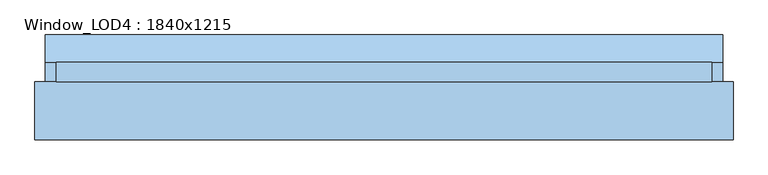
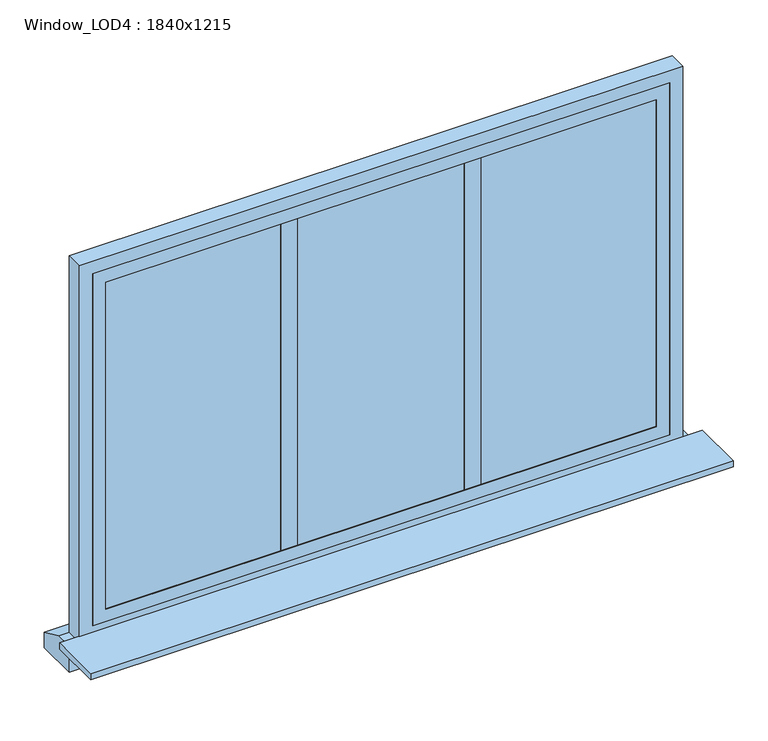
"""IFC4 building model written with IfcOpenShell, lengths in millimetres: window geometry, Window_LOD4 : 1840x1215."""

from ifc_helpers import new_model, si_unit, frame, origin, place, context, project, spatial, polyline, outline, extrude, source, transform, mapped, element, save


def window_lod4_1840x1215_540653f1(model_context):
    return source(origin(), model_context, "Body", "SweptSolid", [
        extrude(outline(polyline([(305.0000123, 100.0), (305.0000123, 50.0), (255.0000123, 50.0), (255.0000123, 100.0), (305.0000123, 100.0)])), frame((0.0, 0.0, 880.0), z_axis=(0.0, 0.0, 1.0), x_axis=(1.0, 0.0, 0.0)), (0.0, 0.0, 1.0), 1055.0000487),
        extrude(outline(polyline([(-255.0000123, 100.0), (-255.0000123, 50.0), (-305.0000123, 50.0), (-305.0000123, 100.0), (-255.0000123, 100.0)])), frame((0.0, 0.0, 880.0), z_axis=(0.0, 0.0, 1.0), x_axis=(1.0, 0.0, 0.0)), (0.0, 0.0, 1.0), 1055.0000487),
        extrude(outline(polyline([(840.0000368, 50.0), (-840.0000368, 50.0), (-840.0000368, 100.0), (840.0000368, 100.0), (840.0000368, 50.0)])), frame((0.0, 0.0, 880.0), z_axis=(0.0, 0.0, 1.0), x_axis=(1.0, 0.0, 0.0)), (0.0, 0.0, 1.0), 1055.0000487),
        extrude(outline(polyline([(1975.0000487, -880.0000368), (840.0, -880.0000368), (840.0, 880.0000368), (1975.0000487, 880.0000368), (1975.0000487, -880.0000368)]), holes=[polyline([(1935.0000487, -840.0000368), (1935.0000487, 840.0000368), (880.0, 840.0000368), (880.0, -840.0000368), (1935.0000487, -840.0000368)])]), frame((0.0, 47.5, 0.0), z_axis=(0.0, 1.0, 0.0), x_axis=(0.0, 0.0, 1.0)), (0.0, 0.0, 1.0), 55.0),
        extrude(outline(polyline([(102.5, 800.0), (179.1451291, 765.0), (179.1451291, 715.0), (47.5, 715.0), (47.5, 800.0), (102.5, 800.0)])), frame((-950.8151866, 0.0, 0.0), z_axis=(1.0, 0.0, 0.0), x_axis=(0.0, 1.0, 0.0)), (0.0, 0.0, 1.0), 1901.6303733),
        extrude(outline(polyline([(2015.0000487, -920.0000368), (800.0, -920.0000368), (800.0, 920.0000368), (2015.0000487, 920.0000368), (2015.0000487, -920.0000368)]), holes=[polyline([(1975.0000487, -880.0000368), (1975.0000487, 880.0000368), (840.0, 880.0000368), (840.0, -880.0000368), (1975.0000487, -880.0000368)])]), frame((0.0, 47.5, 0.0), z_axis=(0.0, 1.0, 0.0), x_axis=(0.0, 0.0, 1.0)), (0.0, 0.0, 1.0), 55.0),
        extrude(outline(polyline([(980.0000368, 47.5), (980.0000368, -115.116658), (-980.0000368, -115.116658), (-980.0000368, 47.5), (980.0000368, 47.5)])), frame((0.0, 0.0, 800.0), z_axis=(0.0, 0.0, 1.0), x_axis=(1.0, 0.0, 0.0)), (0.0, 0.0, 1.0), 20.0),
    ])


if __name__ == "__main__":
    model = new_model("IFC4")
    model_context = context("Model", 3, world=origin())
    ifc_project = project(units=[si_unit("LENGTHUNIT", "METRE", prefix="MILLI")], contexts=[model_context])
    site = spatial("IfcSite", under=ifc_project)
    building = spatial("IfcBuilding", under=site)
    placement = place(None, origin())
    window_lod4_1840x1215_shape = window_lod4_1840x1215_540653f1(model_context)
    element("IfcWindow", 1, ObjectType="Window_LOD4 : 1840x1215", at=placement, inside=building, context=model_context, shape_type="MappedRepresentation", body=[
        mapped(window_lod4_1840x1215_shape, transform((0.0, 0.0, 0.0), x_axis=(1.0, 0.0, 0.0), y_axis=(0.0, 1.0, 0.0), z_axis=(0.0, 0.0, 1.0))),
    ])
    save(model, "model.ifc")
